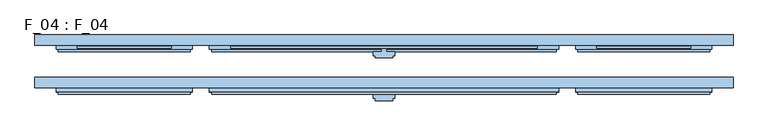
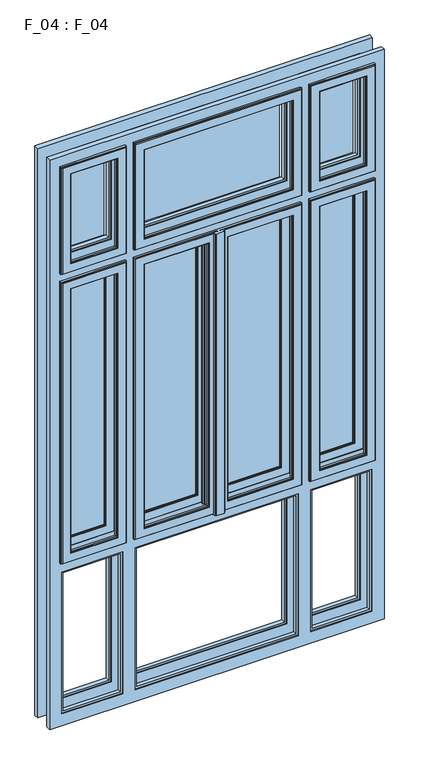
"""IFC4 building model written with IfcOpenShell, lengths in millimetres: window geometry, F_04 : F_04."""

from ifc_helpers import new_model, si_unit, frame, origin, place, context, project, spatial, polyline, outline, extrude, faceted_brep, source, transform, mapped, element, save


def f_04_f_04_e802fb48(model_context):
    return source(origin(), model_context, "Body", "SolidModel", [
        faceted_brep([(400.0, -40.0, 3830.0), (400.0, -45.0, 3830.0), (400.0, -45.0, 3295.0000003), (400.0, -40.0, 3295.0000003), (410.0, -45.0, 3285.0000003), (-410.0, -45.0, 3285.0000003), (-410.0, -45.0, 3840.0), (410.0, -45.0, 3840.0), (-400.0, -45.0, 3830.0), (-400.0, -45.0, 3295.0000003), (-400.0, -40.0, 3295.0000003), (-400.0, -40.0, 3830.0), (365.0, -40.0, 3795.0), (-365.0, -40.0, 3795.0), (-365.0, -40.0, 3330.0000003), (365.0, -40.0, 3330.0000003), (365.0, -45.0, 3795.0), (365.0, -45.0, 3330.0000003), (-365.0, -45.0, 3330.0000003), (-365.0, -45.0, 3795.0), (360.0, -45.0, 3790.0), (-360.0, -45.0, 3790.0), (-360.0, -45.0, 3335.0000003), (360.0, -45.0, 3335.0000003), (360.0, -55.0, 3790.0), (360.0, -55.0, 3335.0000003), (-360.0, -55.0, 3335.0000003), (365.0, -55.0, 3795.0), (-365.0, -55.0, 3795.0), (-365.0, -55.0, 3330.0000003), (365.0, -55.0, 3330.0000003), (-360.0, -55.0, 3790.0), (365.0, -60.0, 3795.0), (365.0, -60.0, 3330.0000003), (-365.0, -60.0, 3330.0000003), (405.0, -60.0, 3835.0), (-405.0, -60.0, 3835.0), (-405.0, -60.0, 3290.0000003), (405.0, -60.0, 3290.0000003), (-365.0, -60.0, 3795.0), (405.0, -55.0, 3835.0), (405.0, -55.0, 3290.0000003), (-405.0, -55.0, 3290.0000003), (410.0, -55.0, 3840.0), (-410.0, -55.0, 3840.0), (-410.0, -55.0, 3285.0000003), (410.0, -55.0, 3285.0000003), (-405.0, -55.0, 3835.0)], [[[0, 1, 2, 3]], [[4, 5, 6, 7], [1, 8, 9, 2]], [[3, 2, 9, 10]], [[3, 10, 11, 0], [12, 13, 14, 15]], [[16, 12, 15, 17]], [[17, 15, 14, 18]], [[17, 18, 19, 16], [20, 21, 22, 23]], [[24, 20, 23, 25]], [[25, 23, 22, 26]], [[27, 28, 29, 30], [25, 26, 31, 24]], [[32, 27, 30, 33]], [[33, 30, 29, 34]], [[35, 36, 37, 38], [33, 34, 39, 32]], [[40, 35, 38, 41]], [[41, 38, 37, 42]], [[43, 44, 45, 46], [41, 42, 47, 40]], [[7, 43, 46, 4]], [[4, 46, 45, 5]], [[10, 9, 8, 11]], [[18, 14, 13, 19]], [[26, 22, 21, 31]], [[34, 29, 28, 39]], [[42, 37, 36, 47]], [[5, 45, 44, 6]], [[11, 8, 1, 0]], [[19, 13, 12, 16]], [[31, 21, 20, 24]], [[39, 28, 27, 32]], [[47, 36, 35, 40]], [[6, 44, 43, 7]]]),
        faceted_brep([(460.0, -45.0, 3830.0), (460.0, -40.0, 3830.0), (460.0, -40.0, 3295.0000003), (460.0, -45.0, 3295.0000003), (759.9999997, -40.0, 3830.0), (759.9999997, -40.0, 3295.0000003), (495.0, -40.0, 3330.0000003), (724.9999997, -40.0, 3330.0000003), (724.9999997, -40.0, 3795.0), (495.0, -40.0, 3795.0), (759.9999997, -45.0, 3295.0000003), (450.0, -45.0, 3840.0), (769.9999997, -45.0, 3840.0), (769.9999997, -45.0, 3285.0000003), (450.0, -45.0, 3285.0000003), (759.9999997, -45.0, 3830.0), (495.0, -45.0, 3795.0), (495.0, -45.0, 3330.0000003), (724.9999997, -45.0, 3795.0), (724.9999997, -45.0, 3330.0000003), (500.0, -45.0, 3335.0000003), (719.9999997, -45.0, 3335.0000003), (719.9999997, -45.0, 3790.0), (500.0, -45.0, 3790.0), (500.0, -55.0, 3790.0), (500.0, -55.0, 3335.0000003), (495.0, -55.0, 3330.0000003), (724.9999997, -55.0, 3330.0000003), (724.9999997, -55.0, 3795.0), (495.0, -55.0, 3795.0), (719.9999997, -55.0, 3790.0), (719.9999997, -55.0, 3335.0000003), (495.0, -60.0, 3795.0), (495.0, -60.0, 3330.0000003), (455.0, -60.0, 3290.0000003), (764.9999997, -60.0, 3290.0000003), (764.9999997, -60.0, 3835.0), (455.0, -60.0, 3835.0), (724.9999997, -60.0, 3795.0), (724.9999997, -60.0, 3330.0000003), (455.0, -55.0, 3835.0), (455.0, -55.0, 3290.0000003), (450.0, -55.0, 3285.0000003), (769.9999997, -55.0, 3285.0000003), (769.9999997, -55.0, 3840.0), (450.0, -55.0, 3840.0), (764.9999997, -55.0, 3835.0), (764.9999997, -55.0, 3290.0000003)], [[[0, 1, 2, 3]], [[1, 4, 5, 2], [6, 7, 8, 9]], [[3, 2, 5, 10]], [[11, 12, 13, 14], [3, 10, 15, 0]], [[9, 16, 17, 6]], [[16, 18, 19, 17], [20, 21, 22, 23]], [[6, 17, 19, 7]], [[23, 24, 25, 20]], [[26, 27, 28, 29], [24, 30, 31, 25]], [[20, 25, 31, 21]], [[29, 32, 33, 26]], [[34, 35, 36, 37], [32, 38, 39, 33]], [[26, 33, 39, 27]], [[37, 40, 41, 34]], [[42, 43, 44, 45], [40, 46, 47, 41]], [[34, 41, 47, 35]], [[45, 11, 14, 42]], [[42, 14, 13, 43]], [[10, 5, 4, 15]], [[7, 19, 18, 8]], [[21, 31, 30, 22]], [[27, 39, 38, 28]], [[35, 47, 46, 36]], [[43, 13, 12, 44]], [[15, 4, 1, 0]], [[8, 18, 16, 9]], [[22, 30, 24, 23]], [[28, 38, 32, 29]], [[36, 46, 40, 37]], [[44, 12, 11, 45]]]),
        faceted_brep([(-460.0, -40.0, 3830.0), (-460.0, -45.0, 3830.0), (-460.0, -45.0, 3295.0000003), (-460.0, -40.0, 3295.0000003), (-450.0, -45.0, 3285.0000003), (-769.9999997, -45.0, 3285.0000003), (-769.9999997, -45.0, 3840.0), (-450.0, -45.0, 3840.0), (-759.9999997, -45.0, 3830.0), (-759.9999997, -45.0, 3295.0000003), (-759.9999997, -40.0, 3295.0000003), (-759.9999997, -40.0, 3830.0), (-495.0, -40.0, 3795.0), (-724.9999997, -40.0, 3795.0), (-724.9999997, -40.0, 3330.0000003), (-495.0, -40.0, 3330.0000003), (-495.0, -45.0, 3795.0), (-495.0, -45.0, 3330.0000003), (-724.9999997, -45.0, 3330.0000003), (-724.9999997, -45.0, 3795.0), (-500.0, -45.0, 3790.0), (-719.9999997, -45.0, 3790.0), (-719.9999997, -45.0, 3335.0000003), (-500.0, -45.0, 3335.0000003), (-500.0, -55.0, 3790.0), (-500.0, -55.0, 3335.0000003), (-719.9999997, -55.0, 3335.0000003), (-495.0, -55.0, 3795.0), (-724.9999997, -55.0, 3795.0), (-724.9999997, -55.0, 3330.0000003), (-495.0, -55.0, 3330.0000003), (-719.9999997, -55.0, 3790.0), (-495.0, -60.0, 3795.0), (-495.0, -60.0, 3330.0000003), (-724.9999997, -60.0, 3330.0000003), (-455.0, -60.0, 3835.0), (-764.9999997, -60.0, 3835.0), (-764.9999997, -60.0, 3290.0000003), (-455.0, -60.0, 3290.0000003), (-724.9999997, -60.0, 3795.0), (-455.0, -55.0, 3835.0), (-455.0, -55.0, 3290.0000003), (-764.9999997, -55.0, 3290.0000003), (-450.0, -55.0, 3840.0), (-769.9999997, -55.0, 3840.0), (-769.9999997, -55.0, 3285.0000003), (-450.0, -55.0, 3285.0000003), (-764.9999997, -55.0, 3835.0)], [[[0, 1, 2, 3]], [[4, 5, 6, 7], [1, 8, 9, 2]], [[3, 2, 9, 10]], [[3, 10, 11, 0], [12, 13, 14, 15]], [[16, 12, 15, 17]], [[17, 15, 14, 18]], [[17, 18, 19, 16], [20, 21, 22, 23]], [[24, 20, 23, 25]], [[25, 23, 22, 26]], [[27, 28, 29, 30], [25, 26, 31, 24]], [[32, 27, 30, 33]], [[33, 30, 29, 34]], [[35, 36, 37, 38], [33, 34, 39, 32]], [[40, 35, 38, 41]], [[41, 38, 37, 42]], [[43, 44, 45, 46], [41, 42, 47, 40]], [[7, 43, 46, 4]], [[4, 46, 45, 5]], [[10, 9, 8, 11]], [[18, 14, 13, 19]], [[26, 22, 21, 31]], [[34, 29, 28, 39]], [[42, 37, 36, 47]], [[5, 45, 44, 6]], [[11, 8, 1, 0]], [[19, 13, 12, 16]], [[31, 21, 20, 24]], [[39, 28, 27, 32]], [[47, 36, 35, 40]], [[6, 44, 43, 7]]]),
        faceted_brep([(44.9999997, 55.0, 1830.0), (44.9999997, 60.0, 1830.0), (44.9999997, 60.0, 3200.0000007), (44.9999997, 55.0, 3200.0000007), (9.9999997, 60.0, 3235.0000007), (400.0000003, 60.0, 3235.0000007), (400.0000003, 60.0, 1795.0), (9.9999997, 60.0, 1795.0), (10.0, 60.0, 1785.0), (0.5, 60.0, 1785.0), (0.5, 60.0, 3245.0000007), (10.0, 60.0, 3245.0000007), (365.0000003, 60.0, 1830.0), (365.0000003, 60.0, 3200.0000007), (365.0000003, 55.0, 3200.0000007), (365.0000003, 55.0, 1830.0), (49.9999997, 55.0, 3195.0000007), (49.9999997, 55.0, 1835.0), (360.0000003, 55.0, 1835.0), (360.0000003, 55.0, 3195.0000007), (49.9999997, 45.0, 1835.0), (49.9999997, 45.0, 3195.0000007), (360.0000003, 45.0, 3195.0000007), (44.9999997, 45.0, 3200.0000007), (44.9999997, 45.0, 1830.0), (365.0000003, 45.0, 1830.0), (365.0000003, 45.0, 3200.0000007), (360.0000003, 45.0, 1835.0), (44.9999997, 40.0, 1830.0), (44.9999997, 40.0, 3200.0000007), (365.0000003, 40.0, 3200.0000007), (405.0000003, 40.0, 1790.0), (405.0000003, 40.0, 3240.0000007), (25.0, 40.0, 3240.0000007), (25.0, 40.0, 1790.0), (365.0000003, 40.0, 1830.0), (9.9999997, 55.0, 3235.0000007), (400.0000003, 55.0, 3235.0000007), (10.0, 55.0, 3245.0000007), (410.0000003, 55.0, 3245.0000007), (410.0000003, 55.0, 1785.0), (10.0, 55.0, 1785.0), (10.0, 55.0, 1795.0), (400.0000003, 55.0, 1795.0), (-9.9999997, 55.0, 3235.0000007), (-400.0000003, 55.0, 3235.0000007), (-400.0000003, 55.0, 1795.0), (-9.9999997, 55.0, 1795.0), (-10.0, 55.0, 1785.0), (-410.0000003, 55.0, 1785.0), (-410.0000003, 55.0, 3245.0000007), (-10.0, 55.0, 3245.0000007), (-0.5, 55.0, 3245.0000007), (0.5, 55.0, 3245.0000007), (0.5, 55.0, 1785.0), (-0.5, 55.0, 1785.0), (405.0000003, 45.0, 3240.0000007), (4.9999997, 45.0, 3240.0000007), (5.0, 40.0, 3240.0000007), (405.0000003, 45.0, 1790.0), (4.9999997, 45.0, 1790.0), (5.0, 45.0, 1785.0), (410.0000003, 45.0, 1785.0), (410.0000003, 45.0, 3245.0000007), (5.0, 45.0, 3245.0000007), (5.0, 40.0, 3245.0000007), (5.0, 40.0, 1785.0), (5.0, 40.0, 1790.0), (25.0, 40.0, 3245.0000007), (25.0, 40.0, 1785.0), (-0.5, 60.0, 3245.0000007), (-10.0, 60.0, 3245.0000007), (-410.0000003, 45.0, 3245.0000007), (-5.0, 45.0, 3245.0000007), (-5.0, 40.0, 3245.0000007), (-25.0, 40.0, 3245.0000007), (-25.0, 30.0, 3245.0000007), (-20.0, 30.0, 3245.0000007), (-20.0, 25.0, 3245.0000007), (20.0, 25.0, 3245.0000007), (20.0, 30.0, 3245.0000007), (25.0, 30.0, 3245.0000007), (-0.5, 60.0, 1785.0), (-10.0, 60.0, 1785.0), (-10.0, 60.0, 1795.0), (-400.0000003, 60.0, 1795.0), (-400.0000003, 60.0, 3235.0000007), (-9.9999997, 60.0, 3235.0000007), (-44.9999997, 60.0, 1830.0), (-44.9999997, 60.0, 3200.0000007), (-365.0000003, 60.0, 3200.0000007), (-365.0000003, 60.0, 1830.0), (-410.0000003, 45.0, 1785.0), (-405.0000003, 45.0, 3240.0000007), (-4.9999997, 45.0, 3240.0000007), (-5.0, 45.0, 1785.0), (-5.0, 45.0, 1790.0), (-405.0000003, 45.0, 1790.0), (-5.0, 40.0, 3240.0000007), (-5.0, 40.0, 1785.0), (-5.0, 40.0, 1790.0), (-25.0, 40.0, 3240.0000007), (-25.0, 40.0, 1785.0), (-25.0, 40.0, 1790.0), (-25.0, 30.0, 1785.0), (-20.0, 30.0, 1785.0), (-20.0, 25.0, 1785.0), (20.0, 25.0, 1785.0), (20.0, 30.0, 1785.0), (25.0, 30.0, 1785.0), (-44.9999997, 55.0, 1830.0), (-44.9999997, 55.0, 3200.0000007), (-365.0000003, 55.0, 3200.0000007), (-365.0000003, 55.0, 1830.0), (-405.0000003, 40.0, 3240.0000007), (-405.0000003, 40.0, 1790.0), (-44.9999997, 40.0, 3200.0000007), (-44.9999997, 40.0, 1830.0), (-365.0000003, 40.0, 1830.0), (-365.0000003, 40.0, 3200.0000007), (-49.9999997, 55.0, 1835.0), (-49.9999997, 55.0, 3195.0000007), (-360.0000003, 55.0, 3195.0000007), (-360.0000003, 55.0, 1835.0), (-49.9999997, 45.0, 1835.0), (-49.9999997, 45.0, 3195.0000007), (-44.9999997, 45.0, 1830.0), (-44.9999997, 45.0, 3200.0000007), (-365.0000003, 45.0, 3200.0000007), (-365.0000003, 45.0, 1830.0), (-360.0000003, 45.0, 1835.0), (-360.0000003, 45.0, 3195.0000007)], [[[0, 1, 2, 3]], [[4, 5, 6, 7, 8, 9, 10, 11], [2, 1, 12, 13]], [[3, 2, 13, 14]], [[0, 3, 14, 15], [16, 17, 18, 19]], [[20, 17, 16, 21]], [[21, 16, 19, 22]], [[23, 24, 25, 26], [20, 21, 22, 27]], [[28, 24, 23, 29]], [[29, 23, 26, 30]], [[31, 32, 33, 34], [28, 29, 30, 35]], [[36, 37, 5, 4]], [[37, 36, 38, 39, 40, 41, 42, 43]], [[44, 45, 46, 47, 48, 49, 50, 51]], [[52, 53, 54, 55]], [[5, 37, 43, 6]], [[11, 38, 36, 4]], [[41, 8, 7, 42]], [[14, 13, 12, 15]], [[22, 19, 18, 27]], [[30, 26, 25, 35]], [[32, 56, 57, 58, 33]], [[56, 32, 31, 59]], [[57, 56, 59, 60, 61, 62, 63, 64]], [[64, 65, 58, 57]], [[66, 61, 60, 67]], [[65, 68, 33, 58]], [[69, 66, 67, 34]], [[63, 39, 38, 11, 10, 53, 52, 70, 71, 51, 50, 72, 73, 74, 75, 76, 77, 78, 79, 80, 81, 68, 65, 64]], [[39, 63, 62, 40]], [[53, 10, 9, 54]], [[70, 52, 55, 82]], [[71, 70, 82, 83, 84, 85, 86, 87], [88, 89, 90, 91]], [[51, 71, 87, 44]], [[83, 48, 47, 84]], [[72, 50, 49, 92]], [[93, 94, 73, 72, 92, 95, 96, 97]], [[74, 73, 94, 98]], [[95, 99, 100, 96]], [[75, 74, 98, 101]], [[99, 102, 103, 100]], [[76, 75, 101, 103, 102, 104]], [[77, 76, 104, 105]], [[78, 77, 105, 106]], [[79, 78, 106, 107]], [[80, 79, 107, 108]], [[81, 80, 108, 109]], [[68, 81, 109, 69, 34, 33]], [[87, 86, 45, 44]], [[45, 86, 85, 46]], [[88, 110, 111, 89]], [[89, 111, 112, 90]], [[90, 112, 113, 91]], [[94, 93, 114, 101, 98]], [[114, 115, 103, 101], [116, 117, 118, 119]], [[111, 110, 113, 112], [120, 121, 122, 123]], [[120, 124, 125, 121]], [[126, 127, 128, 129], [125, 124, 130, 131]], [[121, 125, 131, 122]], [[126, 117, 116, 127]], [[127, 116, 119, 128]], [[122, 131, 130, 123]], [[128, 119, 118, 129]], [[114, 93, 97, 115]], [[6, 43, 42, 7]], [[1, 0, 15, 12]], [[17, 20, 27, 18]], [[24, 28, 35, 25]], [[59, 31, 34, 67, 60]], [[40, 62, 61, 66, 69, 109, 108, 107, 106, 105, 104, 102, 99, 95, 92, 49, 48, 83, 82, 55, 54, 9, 8, 41]], [[46, 85, 84, 47]], [[110, 88, 91, 113]], [[124, 120, 123, 130]], [[117, 126, 129, 118]], [[115, 97, 96, 100, 103]]]),
        faceted_brep([(459.9999997, 60.0, 1795.0), (459.9999997, 55.0, 1795.0), (459.9999997, 55.0, 3235.0000007), (459.9999997, 60.0, 3235.0000007), (449.9999997, 55.0, 3245.0000007), (770.0, 55.0, 3245.0000007), (770.0, 55.0, 1785.0), (449.9999997, 55.0, 1785.0), (760.0, 55.0, 1795.0), (760.0, 55.0, 3235.0000007), (760.0, 60.0, 3235.0000007), (760.0, 60.0, 1795.0), (494.9999997, 60.0, 1830.0), (725.0, 60.0, 1830.0), (725.0, 60.0, 3200.0000007), (494.9999997, 60.0, 3200.0000007), (494.9999997, 55.0, 1830.0), (494.9999997, 55.0, 3200.0000007), (725.0, 55.0, 3200.0000007), (725.0, 55.0, 1830.0), (499.9999997, 55.0, 1835.0), (720.0, 55.0, 1835.0), (720.0, 55.0, 3195.0000007), (499.9999997, 55.0, 3195.0000007), (499.9999997, 45.0, 1835.0), (499.9999997, 45.0, 3195.0000007), (720.0, 45.0, 3195.0000007), (494.9999997, 45.0, 1830.0), (725.0, 45.0, 1830.0), (725.0, 45.0, 3200.0000007), (494.9999997, 45.0, 3200.0000007), (720.0, 45.0, 1835.0), (494.9999997, 40.0, 1830.0), (494.9999997, 40.0, 3200.0000007), (725.0, 40.0, 3200.0000007), (454.9999997, 40.0, 1790.0), (765.0, 40.0, 1790.0), (765.0, 40.0, 3240.0000007), (454.9999997, 40.0, 3240.0000007), (725.0, 40.0, 1830.0), (454.9999997, 45.0, 1790.0), (454.9999997, 45.0, 3240.0000007), (765.0, 45.0, 3240.0000007), (449.9999997, 45.0, 1785.0), (770.0, 45.0, 1785.0), (770.0, 45.0, 3245.0000007), (449.9999997, 45.0, 3245.0000007), (765.0, 45.0, 1790.0)], [[[0, 1, 2, 3]], [[4, 5, 6, 7], [1, 8, 9, 2]], [[3, 2, 9, 10]], [[3, 10, 11, 0], [12, 13, 14, 15]], [[16, 12, 15, 17]], [[17, 15, 14, 18]], [[17, 18, 19, 16], [20, 21, 22, 23]], [[24, 20, 23, 25]], [[25, 23, 22, 26]], [[27, 28, 29, 30], [25, 26, 31, 24]], [[32, 27, 30, 33]], [[33, 30, 29, 34]], [[35, 36, 37, 38], [33, 34, 39, 32]], [[40, 35, 38, 41]], [[41, 38, 37, 42]], [[43, 44, 45, 46], [41, 42, 47, 40]], [[7, 43, 46, 4]], [[4, 46, 45, 5]], [[10, 9, 8, 11]], [[18, 14, 13, 19]], [[26, 22, 21, 31]], [[34, 29, 28, 39]], [[42, 37, 36, 47]], [[5, 45, 44, 6]], [[11, 8, 1, 0]], [[19, 13, 12, 16]], [[31, 21, 20, 24]], [[39, 28, 27, 32]], [[47, 36, 35, 40]], [[6, 44, 43, 7]]]),
        faceted_brep([(-459.9999997, 55.0, 1795.0), (-459.9999997, 60.0, 1795.0), (-459.9999997, 60.0, 3235.0000007), (-459.9999997, 55.0, 3235.0000007), (-760.0, 60.0, 1795.0), (-760.0, 60.0, 3235.0000007), (-494.9999997, 60.0, 3200.0000007), (-725.0, 60.0, 3200.0000007), (-725.0, 60.0, 1830.0), (-494.9999997, 60.0, 1830.0), (-760.0, 55.0, 3235.0000007), (-449.9999997, 55.0, 1785.0), (-770.0, 55.0, 1785.0), (-770.0, 55.0, 3245.0000007), (-449.9999997, 55.0, 3245.0000007), (-760.0, 55.0, 1795.0), (-494.9999997, 55.0, 1830.0), (-494.9999997, 55.0, 3200.0000007), (-725.0, 55.0, 1830.0), (-725.0, 55.0, 3200.0000007), (-499.9999997, 55.0, 3195.0000007), (-720.0, 55.0, 3195.0000007), (-720.0, 55.0, 1835.0), (-499.9999997, 55.0, 1835.0), (-499.9999997, 45.0, 1835.0), (-499.9999997, 45.0, 3195.0000007), (-494.9999997, 45.0, 3200.0000007), (-725.0, 45.0, 3200.0000007), (-725.0, 45.0, 1830.0), (-494.9999997, 45.0, 1830.0), (-720.0, 45.0, 1835.0), (-720.0, 45.0, 3195.0000007), (-494.9999997, 40.0, 1830.0), (-494.9999997, 40.0, 3200.0000007), (-454.9999997, 40.0, 3240.0000007), (-765.0, 40.0, 3240.0000007), (-765.0, 40.0, 1790.0), (-454.9999997, 40.0, 1790.0), (-725.0, 40.0, 1830.0), (-725.0, 40.0, 3200.0000007), (-454.9999997, 45.0, 1790.0), (-454.9999997, 45.0, 3240.0000007), (-449.9999997, 45.0, 3245.0000007), (-770.0, 45.0, 3245.0000007), (-770.0, 45.0, 1785.0), (-449.9999997, 45.0, 1785.0), (-765.0, 45.0, 1790.0), (-765.0, 45.0, 3240.0000007)], [[[0, 1, 2, 3]], [[1, 4, 5, 2], [6, 7, 8, 9]], [[3, 2, 5, 10]], [[11, 12, 13, 14], [3, 10, 15, 0]], [[9, 16, 17, 6]], [[16, 18, 19, 17], [20, 21, 22, 23]], [[6, 17, 19, 7]], [[23, 24, 25, 20]], [[26, 27, 28, 29], [24, 30, 31, 25]], [[20, 25, 31, 21]], [[29, 32, 33, 26]], [[34, 35, 36, 37], [32, 38, 39, 33]], [[26, 33, 39, 27]], [[37, 40, 41, 34]], [[42, 43, 44, 45], [40, 46, 47, 41]], [[34, 41, 47, 35]], [[45, 11, 14, 42]], [[42, 14, 13, 43]], [[10, 5, 4, 15]], [[7, 19, 18, 8]], [[21, 31, 30, 22]], [[27, 39, 38, 28]], [[35, 47, 46, 36]], [[43, 13, 12, 44]], [[15, 4, 1, 0]], [[8, 18, 16, 9]], [[22, 30, 24, 23]], [[28, 38, 32, 29]], [[36, 46, 40, 37]], [[44, 12, 11, 45]]]),
        faceted_brep([(44.9999997, -45.0, 1830.0), (44.9999997, -40.0, 1830.0), (44.9999997, -40.0, 3200.0000007), (44.9999997, -45.0, 3200.0000007), (9.9999997, -40.0, 3235.0000007), (400.0000003, -40.0, 3235.0000007), (400.0000003, -40.0, 1795.0), (9.9999997, -40.0, 1795.0), (10.0, -40.0, 1785.0), (0.5, -40.0, 1785.0), (0.5, -40.0, 3245.0000007), (10.0, -40.0, 3245.0000007), (365.0000003, -40.0, 1830.0), (365.0000003, -40.0, 3200.0000007), (365.0000003, -45.0, 3200.0000007), (365.0000003, -45.0, 1830.0), (49.9999997, -45.0, 3195.0000007), (49.9999997, -45.0, 1835.0), (360.0000003, -45.0, 1835.0), (360.0000003, -45.0, 3195.0000007), (49.9999997, -55.0, 1835.0), (49.9999997, -55.0, 3195.0000007), (360.0000003, -55.0, 3195.0000007), (44.9999997, -55.0, 3200.0000007), (44.9999997, -55.0, 1830.0), (365.0000003, -55.0, 1830.0), (365.0000003, -55.0, 3200.0000007), (360.0000003, -55.0, 1835.0), (44.9999997, -60.0, 1830.0), (44.9999997, -60.0, 3200.0000007), (365.0000003, -60.0, 3200.0000007), (405.0000003, -60.0, 1790.0), (405.0000003, -60.0, 3240.0000007), (25.0, -60.0, 3240.0000007), (25.0, -60.0, 1790.0), (365.0000003, -60.0, 1830.0), (9.9999997, -45.0, 3235.0000007), (400.0000003, -45.0, 3235.0000007), (10.0, -45.0, 3245.0000007), (410.0000003, -45.0, 3245.0000007), (410.0000003, -45.0, 1785.0), (10.0, -45.0, 1785.0), (10.0, -45.0, 1795.0), (400.0000003, -45.0, 1795.0), (-9.9999997, -45.0, 3235.0000007), (-400.0000003, -45.0, 3235.0000007), (-400.0000003, -45.0, 1795.0), (-9.9999997, -45.0, 1795.0), (-10.0, -45.0, 1785.0), (-410.0000003, -45.0, 1785.0), (-410.0000003, -45.0, 3245.0000007), (-10.0, -45.0, 3245.0000007), (-0.5, -45.0, 3245.0000007), (0.5, -45.0, 3245.0000007), (0.5, -45.0, 1785.0), (-0.5, -45.0, 1785.0), (405.0000003, -55.0, 3240.0000007), (4.9999997, -55.0, 3240.0000007), (5.0, -60.0, 3240.0000007), (405.0000003, -55.0, 1790.0), (4.9999997, -55.0, 1790.0), (5.0, -55.0, 1785.0), (410.0000003, -55.0, 1785.0), (410.0000003, -55.0, 3245.0000007), (5.0, -55.0, 3245.0000007), (5.0, -60.0, 3245.0000007), (5.0, -60.0, 1785.0), (5.0, -60.0, 1790.0), (25.0, -60.0, 3245.0000007), (25.0, -60.0, 1785.0), (-0.5, -40.0, 3245.0000007), (-10.0, -40.0, 3245.0000007), (-410.0000003, -55.0, 3245.0000007), (-5.0, -55.0, 3245.0000007), (-5.0, -60.0, 3245.0000007), (-25.0, -60.0, 3245.0000007), (-25.0, -70.0, 3245.0000007), (-20.0, -70.0, 3245.0000007), (-20.0, -75.0, 3245.0000007), (20.0, -75.0, 3245.0000007), (20.0, -70.0, 3245.0000007), (25.0, -70.0, 3245.0000007), (-0.5, -40.0, 1785.0), (-10.0, -40.0, 1785.0), (-10.0, -40.0, 1795.0), (-400.0000003, -40.0, 1795.0), (-400.0000003, -40.0, 3235.0000007), (-9.9999997, -40.0, 3235.0000007), (-44.9999997, -40.0, 1830.0), (-44.9999997, -40.0, 3200.0000007), (-365.0000003, -40.0, 3200.0000007), (-365.0000003, -40.0, 1830.0), (-410.0000003, -55.0, 1785.0), (-405.0000003, -55.0, 3240.0000007), (-4.9999997, -55.0, 3240.0000007), (-5.0, -55.0, 1785.0), (-5.0, -55.0, 1790.0), (-405.0000003, -55.0, 1790.0), (-5.0, -60.0, 3240.0000007), (-5.0, -60.0, 1785.0), (-5.0, -60.0, 1790.0), (-25.0, -60.0, 3240.0000007), (-25.0, -60.0, 1785.0), (-25.0, -60.0, 1790.0), (-25.0, -70.0, 1785.0), (-20.0, -70.0, 1785.0), (-20.0, -75.0, 1785.0), (20.0, -75.0, 1785.0), (20.0, -70.0, 1785.0), (25.0, -70.0, 1785.0), (-44.9999997, -45.0, 1830.0), (-44.9999997, -45.0, 3200.0000007), (-365.0000003, -45.0, 3200.0000007), (-365.0000003, -45.0, 1830.0), (-405.0000003, -60.0, 3240.0000007), (-405.0000003, -60.0, 1790.0), (-44.9999997, -60.0, 3200.0000007), (-44.9999997, -60.0, 1830.0), (-365.0000003, -60.0, 1830.0), (-365.0000003, -60.0, 3200.0000007), (-49.9999997, -45.0, 1835.0), (-49.9999997, -45.0, 3195.0000007), (-360.0000003, -45.0, 3195.0000007), (-360.0000003, -45.0, 1835.0), (-49.9999997, -55.0, 1835.0), (-49.9999997, -55.0, 3195.0000007), (-44.9999997, -55.0, 1830.0), (-44.9999997, -55.0, 3200.0000007), (-365.0000003, -55.0, 3200.0000007), (-365.0000003, -55.0, 1830.0), (-360.0000003, -55.0, 1835.0), (-360.0000003, -55.0, 3195.0000007)], [[[0, 1, 2, 3]], [[4, 5, 6, 7, 8, 9, 10, 11], [2, 1, 12, 13]], [[3, 2, 13, 14]], [[0, 3, 14, 15], [16, 17, 18, 19]], [[20, 17, 16, 21]], [[21, 16, 19, 22]], [[23, 24, 25, 26], [20, 21, 22, 27]], [[28, 24, 23, 29]], [[29, 23, 26, 30]], [[31, 32, 33, 34], [28, 29, 30, 35]], [[36, 37, 5, 4]], [[37, 36, 38, 39, 40, 41, 42, 43]], [[44, 45, 46, 47, 48, 49, 50, 51]], [[52, 53, 54, 55]], [[5, 37, 43, 6]], [[11, 38, 36, 4]], [[41, 8, 7, 42]], [[14, 13, 12, 15]], [[22, 19, 18, 27]], [[30, 26, 25, 35]], [[32, 56, 57, 58, 33]], [[56, 32, 31, 59]], [[57, 56, 59, 60, 61, 62, 63, 64]], [[64, 65, 58, 57]], [[66, 61, 60, 67]], [[65, 68, 33, 58]], [[69, 66, 67, 34]], [[63, 39, 38, 11, 10, 53, 52, 70, 71, 51, 50, 72, 73, 74, 75, 76, 77, 78, 79, 80, 81, 68, 65, 64]], [[39, 63, 62, 40]], [[53, 10, 9, 54]], [[70, 52, 55, 82]], [[71, 70, 82, 83, 84, 85, 86, 87], [88, 89, 90, 91]], [[51, 71, 87, 44]], [[83, 48, 47, 84]], [[72, 50, 49, 92]], [[93, 94, 73, 72, 92, 95, 96, 97]], [[74, 73, 94, 98]], [[95, 99, 100, 96]], [[75, 74, 98, 101]], [[99, 102, 103, 100]], [[76, 75, 101, 103, 102, 104]], [[77, 76, 104, 105]], [[78, 77, 105, 106]], [[79, 78, 106, 107]], [[80, 79, 107, 108]], [[81, 80, 108, 109]], [[68, 81, 109, 69, 34, 33]], [[87, 86, 45, 44]], [[45, 86, 85, 46]], [[88, 110, 111, 89]], [[89, 111, 112, 90]], [[90, 112, 113, 91]], [[94, 93, 114, 101, 98]], [[114, 115, 103, 101], [116, 117, 118, 119]], [[111, 110, 113, 112], [120, 121, 122, 123]], [[120, 124, 125, 121]], [[126, 127, 128, 129], [125, 124, 130, 131]], [[121, 125, 131, 122]], [[126, 117, 116, 127]], [[127, 116, 119, 128]], [[122, 131, 130, 123]], [[128, 119, 118, 129]], [[114, 93, 97, 115]], [[6, 43, 42, 7]], [[1, 0, 15, 12]], [[17, 20, 27, 18]], [[24, 28, 35, 25]], [[59, 31, 34, 67, 60]], [[40, 62, 61, 66, 69, 109, 108, 107, 106, 105, 104, 102, 99, 95, 92, 49, 48, 83, 82, 55, 54, 9, 8, 41]], [[46, 85, 84, 47]], [[110, 88, 91, 113]], [[124, 120, 123, 130]], [[117, 126, 129, 118]], [[115, 97, 96, 100, 103]]]),
        faceted_brep([(459.9999997, -40.0, 1795.0), (459.9999997, -45.0, 1795.0), (459.9999997, -45.0, 3235.0000007), (459.9999997, -40.0, 3235.0000007), (449.9999997, -45.0, 3245.0000007), (770.0, -45.0, 3245.0000007), (770.0, -45.0, 1785.0), (449.9999997, -45.0, 1785.0), (760.0, -45.0, 1795.0), (760.0, -45.0, 3235.0000007), (760.0, -40.0, 3235.0000007), (760.0, -40.0, 1795.0), (494.9999997, -40.0, 1830.0), (725.0, -40.0, 1830.0), (725.0, -40.0, 3200.0000007), (494.9999997, -40.0, 3200.0000007), (494.9999997, -45.0, 1830.0), (494.9999997, -45.0, 3200.0000007), (725.0, -45.0, 3200.0000007), (725.0, -45.0, 1830.0), (499.9999997, -45.0, 1835.0), (720.0, -45.0, 1835.0), (720.0, -45.0, 3195.0000007), (499.9999997, -45.0, 3195.0000007), (499.9999997, -55.0, 1835.0), (499.9999997, -55.0, 3195.0000007), (720.0, -55.0, 3195.0000007), (494.9999997, -55.0, 1830.0), (725.0, -55.0, 1830.0), (725.0, -55.0, 3200.0000007), (494.9999997, -55.0, 3200.0000007), (720.0, -55.0, 1835.0), (494.9999997, -60.0, 1830.0), (494.9999997, -60.0, 3200.0000007), (725.0, -60.0, 3200.0000007), (454.9999997, -60.0, 1790.0), (765.0, -60.0, 1790.0), (765.0, -60.0, 3240.0000007), (454.9999997, -60.0, 3240.0000007), (725.0, -60.0, 1830.0), (454.9999997, -55.0, 1790.0), (454.9999997, -55.0, 3240.0000007), (765.0, -55.0, 3240.0000007), (449.9999997, -55.0, 1785.0), (770.0, -55.0, 1785.0), (770.0, -55.0, 3245.0000007), (449.9999997, -55.0, 3245.0000007), (765.0, -55.0, 1790.0)], [[[0, 1, 2, 3]], [[4, 5, 6, 7], [1, 8, 9, 2]], [[3, 2, 9, 10]], [[3, 10, 11, 0], [12, 13, 14, 15]], [[16, 12, 15, 17]], [[17, 15, 14, 18]], [[17, 18, 19, 16], [20, 21, 22, 23]], [[24, 20, 23, 25]], [[25, 23, 22, 26]], [[27, 28, 29, 30], [25, 26, 31, 24]], [[32, 27, 30, 33]], [[33, 30, 29, 34]], [[35, 36, 37, 38], [33, 34, 39, 32]], [[40, 35, 38, 41]], [[41, 38, 37, 42]], [[43, 44, 45, 46], [41, 42, 47, 40]], [[7, 43, 46, 4]], [[4, 46, 45, 5]], [[10, 9, 8, 11]], [[18, 14, 13, 19]], [[26, 22, 21, 31]], [[34, 29, 28, 39]], [[42, 37, 36, 47]], [[5, 45, 44, 6]], [[11, 8, 1, 0]], [[19, 13, 12, 16]], [[31, 21, 20, 24]], [[39, 28, 27, 32]], [[47, 36, 35, 40]], [[6, 44, 43, 7]]]),
        faceted_brep([(-459.9999997, -45.0, 1795.0), (-459.9999997, -40.0, 1795.0), (-459.9999997, -40.0, 3235.0000007), (-459.9999997, -45.0, 3235.0000007), (-760.0, -40.0, 1795.0), (-760.0, -40.0, 3235.0000007), (-494.9999997, -40.0, 3200.0000007), (-725.0, -40.0, 3200.0000007), (-725.0, -40.0, 1830.0), (-494.9999997, -40.0, 1830.0), (-760.0, -45.0, 3235.0000007), (-449.9999997, -45.0, 1785.0), (-770.0, -45.0, 1785.0), (-770.0, -45.0, 3245.0000007), (-449.9999997, -45.0, 3245.0000007), (-760.0, -45.0, 1795.0), (-494.9999997, -45.0, 1830.0), (-494.9999997, -45.0, 3200.0000007), (-725.0, -45.0, 1830.0), (-725.0, -45.0, 3200.0000007), (-499.9999997, -45.0, 3195.0000007), (-720.0, -45.0, 3195.0000007), (-720.0, -45.0, 1835.0), (-499.9999997, -45.0, 1835.0), (-499.9999997, -55.0, 1835.0), (-499.9999997, -55.0, 3195.0000007), (-494.9999997, -55.0, 3200.0000007), (-725.0, -55.0, 3200.0000007), (-725.0, -55.0, 1830.0), (-494.9999997, -55.0, 1830.0), (-720.0, -55.0, 1835.0), (-720.0, -55.0, 3195.0000007), (-494.9999997, -60.0, 1830.0), (-494.9999997, -60.0, 3200.0000007), (-454.9999997, -60.0, 3240.0000007), (-765.0, -60.0, 3240.0000007), (-765.0, -60.0, 1790.0), (-454.9999997, -60.0, 1790.0), (-725.0, -60.0, 1830.0), (-725.0, -60.0, 3200.0000007), (-454.9999997, -55.0, 1790.0), (-454.9999997, -55.0, 3240.0000007), (-449.9999997, -55.0, 3245.0000007), (-770.0, -55.0, 3245.0000007), (-770.0, -55.0, 1785.0), (-449.9999997, -55.0, 1785.0), (-765.0, -55.0, 1790.0), (-765.0, -55.0, 3240.0000007)], [[[0, 1, 2, 3]], [[1, 4, 5, 2], [6, 7, 8, 9]], [[3, 2, 5, 10]], [[11, 12, 13, 14], [3, 10, 15, 0]], [[9, 16, 17, 6]], [[16, 18, 19, 17], [20, 21, 22, 23]], [[6, 17, 19, 7]], [[23, 24, 25, 20]], [[26, 27, 28, 29], [24, 30, 31, 25]], [[20, 25, 31, 21]], [[29, 32, 33, 26]], [[34, 35, 36, 37], [32, 38, 39, 33]], [[26, 33, 39, 27]], [[37, 40, 41, 34]], [[42, 43, 44, 45], [40, 46, 47, 41]], [[34, 41, 47, 35]], [[45, 11, 14, 42]], [[42, 14, 13, 43]], [[10, 5, 4, 15]], [[7, 19, 18, 8]], [[21, 31, 30, 22]], [[27, 39, 38, 28]], [[35, 47, 46, 36]], [[43, 13, 12, 44]], [[15, 4, 1, 0]], [[8, 18, 16, 9]], [[22, 30, 24, 23]], [[28, 38, 32, 29]], [[36, 46, 40, 37]], [[44, 12, 11, 45]]]),
        faceted_brep([(820.0, 79.0, 3890.0), (820.0, 55.0, 3890.0), (820.0, 55.0, 940.0), (820.0, 79.0, 940.0), (-820.0, 55.0, 3890.0), (-820.0, 55.0, 940.0), (760.0, 55.0, 3295.0000003), (460.0, 55.0, 3295.0000003), (460.0, 55.0, 3830.0), (760.0, 55.0, 3830.0), (400.0, 55.0, 3295.0000003), (-400.0, 55.0, 3295.0000003), (-400.0, 55.0, 3830.0), (400.0, 55.0, 3830.0), (-760.0, 55.0, 3295.0000003), (-760.0, 55.0, 3830.0), (-460.0, 55.0, 3830.0), (-460.0, 55.0, 3295.0000003), (-760.0, 55.0, 1000.0), (-760.0, 55.0, 1735.0000003), (-460.0, 55.0, 1735.0000003), (-460.0, 55.0, 1000.0), (-760.0, 55.0, 1795.0000003), (-760.0, 55.0, 3235.0000003), (-460.0, 55.0, 3235.0000003), (-460.0, 55.0, 1795.0000003), (400.0, 55.0, 1000.0), (-400.0, 55.0, 1000.0), (-400.0, 55.0, 1735.0000003), (400.0, 55.0, 1735.0000003), (760.0, 55.0, 1000.0), (460.0, 55.0, 1000.0), (460.0, 55.0, 1735.0000003), (760.0, 55.0, 1735.0000003), (400.0, 55.0, 1795.0000003), (-400.0, 55.0, 1795.0000003), (-400.0, 55.0, 3235.0000003), (400.0, 55.0, 3235.0000003), (760.0, 55.0, 1795.0000003), (460.0, 55.0, 1795.0000003), (460.0, 55.0, 3235.0000003), (760.0, 55.0, 3235.0000003), (-820.0, 79.0, 940.0), (-820.0, 79.0, 3890.0), (-750.0, 79.0, 3305.0000003), (-470.0, 79.0, 3305.0000003), (-470.0, 79.0, 3820.0), (-750.0, 79.0, 3820.0), (-390.0, 79.0, 3305.0000003), (390.0, 79.0, 3305.0000003), (390.0, 79.0, 3820.0), (-390.0, 79.0, 3820.0), (750.0, 79.0, 3305.0000003), (750.0, 79.0, 3820.0), (470.0, 79.0, 3820.0), (470.0, 79.0, 3305.0000003), (750.0, 79.0, 1805.0000003), (750.0, 79.0, 3225.0), (470.0, 79.0, 3225.0), (470.0, 79.0, 1805.0000003), (750.0, 79.0, 1010.0), (750.0, 79.0, 1725.0), (470.0, 79.0, 1725.0), (470.0, 79.0, 1010.0), (-750.0, 79.0, 1010.0), (-470.0, 79.0, 1010.0), (-470.0, 79.0, 1725.0), (-750.0, 79.0, 1725.0), (-390.0, 79.0, 1010.0), (390.0, 79.0, 1010.0), (390.0, 79.0, 1725.0), (-390.0, 79.0, 1725.0), (-750.0, 79.0, 1805.0000003), (-470.0, 79.0, 1805.0000003), (-470.0, 79.0, 3225.0), (-750.0, 79.0, 3225.0), (-390.0, 79.0, 1805.0000003), (390.0, 79.0, 1805.0000003), (390.0, 79.0, 3225.0), (-390.0, 79.0, 3225.0), (750.0, 60.0, 1805.0000003), (750.0, 60.0, 3225.0), (750.0, 60.0, 1010.0), (750.0, 60.0, 1725.0), (750.0, 60.0, 3820.0), (750.0, 60.0, 3305.0000003), (-390.0, 60.0, 3305.0000003), (390.0, 60.0, 3305.0000003), (470.0, 60.0, 3305.0000003), (-750.0, 60.0, 3305.0000003), (-470.0, 60.0, 3305.0000003), (-760.0, 60.0, 3830.0), (-760.0, 60.0, 3295.0000003), (-460.0, 60.0, 3295.0000003), (-460.0, 60.0, 3830.0), (-750.0, 60.0, 3820.0), (-470.0, 60.0, 3820.0), (760.0, 60.0, 3295.0000003), (760.0, 60.0, 3830.0), (460.0, 60.0, 3830.0), (460.0, 60.0, 3295.0000003), (470.0, 60.0, 3820.0), (-760.0, 60.0, 1735.0000003), (-760.0, 60.0, 1000.0), (-460.0, 60.0, 1000.0), (-460.0, 60.0, 1735.0000003), (-750.0, 60.0, 1010.0), (-750.0, 60.0, 1725.0), (-470.0, 60.0, 1725.0), (-470.0, 60.0, 1010.0), (760.0, 60.0, 1000.0), (760.0, 60.0, 1735.0000003), (460.0, 60.0, 1735.0000003), (460.0, 60.0, 1000.0), (470.0, 60.0, 1010.0), (470.0, 60.0, 1725.0), (760.0, 60.0, 1795.0000003), (760.0, 60.0, 3235.0000003), (460.0, 60.0, 3235.0000003), (460.0, 60.0, 1795.0000003), (470.0, 60.0, 1805.0000003), (470.0, 60.0, 3225.0), (-760.0, 60.0, 3235.0000003), (-760.0, 60.0, 1795.0000003), (-460.0, 60.0, 1795.0000003), (-460.0, 60.0, 3235.0000003), (-750.0, 60.0, 1805.0000003), (-750.0, 60.0, 3225.0), (-470.0, 60.0, 3225.0), (-470.0, 60.0, 1805.0000003), (400.0, 60.0, 3295.0000003), (400.0, 60.0, 3830.0), (-400.0, 60.0, 3830.0), (-400.0, 60.0, 3295.0000003), (-390.0, 60.0, 3820.0), (390.0, 60.0, 3820.0), (400.0, 60.0, 1000.0), (400.0, 60.0, 1735.0000003), (-400.0, 60.0, 1735.0000003), (-400.0, 60.0, 1000.0), (-390.0, 60.0, 1725.0), (390.0, 60.0, 1725.0), (390.0, 60.0, 1010.0), (-390.0, 60.0, 1010.0), (-400.0, 60.0, 1795.0000003), (400.0, 60.0, 1795.0000003), (400.0, 60.0, 3235.0000003), (-400.0, 60.0, 3235.0000003), (-390.0, 60.0, 3225.0), (390.0, 60.0, 3225.0), (390.0, 60.0, 1805.0000003), (-390.0, 60.0, 1805.0000003)], [[[0, 1, 2, 3]], [[2, 1, 4, 5], [6, 7, 8, 9], [10, 11, 12, 13], [14, 15, 16, 17], [18, 19, 20, 21], [22, 23, 24, 25], [26, 27, 28, 29], [30, 31, 32, 33], [34, 35, 36, 37], [38, 39, 40, 41]], [[3, 2, 5, 42]], [[0, 3, 42, 43], [44, 45, 46, 47], [48, 49, 50, 51], [52, 53, 54, 55], [56, 57, 58, 59], [60, 61, 62, 63], [64, 65, 66, 67], [68, 69, 70, 71], [72, 73, 74, 75], [76, 77, 78, 79]], [[57, 56, 80, 81]], [[60, 82, 83, 61]], [[84, 53, 52, 85]], [[49, 48, 86, 87]], [[85, 52, 55, 88]], [[44, 89, 90, 45]], [[91, 92, 93, 94], [89, 95, 96, 90]], [[97, 98, 99, 100], [84, 85, 88, 101]], [[102, 103, 104, 105], [106, 107, 108, 109]], [[110, 111, 112, 113], [83, 82, 114, 115]], [[116, 117, 118, 119], [81, 80, 120, 121]], [[122, 123, 124, 125], [126, 127, 128, 129]], [[130, 131, 132, 133], [134, 135, 87, 86]], [[136, 137, 138, 139], [140, 141, 142, 143]], [[144, 145, 146, 147], [148, 149, 150, 151]], [[69, 68, 143, 142]], [[82, 60, 63, 114]], [[64, 106, 109, 65]], [[61, 83, 115, 62]], [[141, 140, 71, 70]], [[107, 67, 66, 108]], [[77, 76, 151, 150]], [[80, 56, 59, 120]], [[72, 126, 129, 73]], [[57, 81, 121, 58]], [[149, 148, 79, 78]], [[127, 75, 74, 128]], [[38, 41, 117, 116]], [[110, 30, 33, 111]], [[9, 98, 97, 6]], [[93, 92, 14, 17]], [[130, 133, 11, 10]], [[6, 97, 100, 7]], [[104, 103, 18, 21]], [[136, 139, 27, 26]], [[30, 110, 113, 31]], [[29, 28, 138, 137]], [[112, 111, 33, 32]], [[19, 102, 105, 20]], [[37, 36, 147, 146]], [[118, 117, 41, 40]], [[23, 122, 125, 24]], [[124, 123, 22, 25]], [[145, 144, 35, 34]], [[38, 116, 119, 39]], [[42, 5, 4, 43]], [[55, 54, 101, 88]], [[59, 58, 121, 120]], [[115, 114, 63, 62]], [[72, 75, 127, 126]], [[106, 64, 67, 107]], [[47, 95, 89, 44]], [[46, 45, 90, 96]], [[74, 73, 129, 128]], [[109, 108, 66, 65]], [[48, 51, 134, 86]], [[76, 79, 148, 151]], [[140, 143, 68, 71]], [[50, 49, 87, 135]], [[78, 77, 150, 149]], [[142, 141, 70, 69]], [[32, 31, 113, 112]], [[100, 99, 8, 7]], [[119, 118, 40, 39]], [[23, 22, 123, 122]], [[18, 103, 102, 19]], [[91, 15, 14, 92]], [[21, 20, 105, 104]], [[94, 93, 17, 16]], [[125, 124, 25, 24]], [[28, 27, 139, 138]], [[133, 132, 12, 11]], [[144, 147, 36, 35]], [[26, 29, 137, 136]], [[131, 130, 10, 13]], [[146, 145, 34, 37]], [[1, 0, 43, 4]], [[51, 50, 135, 134]], [[53, 84, 101, 54]], [[95, 47, 46, 96]], [[13, 12, 132, 131]], [[99, 98, 9, 8]], [[15, 91, 94, 16]]]),
        extrude(outline(polyline([(-499.9999997, 48.0), (-720.0, 48.0), (-720.0, 52.0), (-499.9999997, 52.0), (-499.9999997, 48.0)])), frame((0.0, 0.0, 1835.0), z_axis=(0.0, 0.0, 1.0), x_axis=(1.0, 0.0, 0.0)), (0.0, 0.0, 1.0), 1360.0000007),
        extrude(outline(polyline([(-49.9999997, 48.0), (-360.0000003, 48.0), (-360.0000003, 52.0), (-49.9999997, 52.0), (-49.9999997, 48.0)])), frame((0.0, 0.0, 1835.0), z_axis=(0.0, 0.0, 1.0), x_axis=(1.0, 0.0, 0.0)), (0.0, 0.0, 1.0), 1360.0000007),
        extrude(outline(polyline([(360.0000003, 48.0), (49.9999997, 48.0), (49.9999997, 52.0), (360.0000003, 52.0), (360.0000003, 48.0)])), frame((0.0, 0.0, 1835.0), z_axis=(0.0, 0.0, 1.0), x_axis=(1.0, 0.0, 0.0)), (0.0, 0.0, 1.0), 1360.0000007),
        extrude(outline(polyline([(720.0, 48.0), (499.9999997, 48.0), (499.9999997, 52.0), (720.0, 52.0), (720.0, 48.0)])), frame((0.0, 0.0, 1835.0), z_axis=(0.0, 0.0, 1.0), x_axis=(1.0, 0.0, 0.0)), (0.0, 0.0, 1.0), 1360.0000007),
        extrude(outline(polyline([(-500.0, 48.0), (-719.9999997, 48.0), (-719.9999997, 52.0), (-500.0, 52.0), (-500.0, 48.0)])), frame((0.0, 0.0, 3335.0000003), z_axis=(0.0, 0.0, 1.0), x_axis=(1.0, 0.0, 0.0)), (0.0, 0.0, 1.0), 454.9999997),
        extrude(outline(polyline([(360.0, 48.0), (-360.0, 48.0), (-360.0, 52.0), (360.0, 52.0), (360.0, 48.0)])), frame((0.0, 0.0, 3335.0000003), z_axis=(0.0, 0.0, 1.0), x_axis=(1.0, 0.0, 0.0)), (0.0, 0.0, 1.0), 454.9999997),
        extrude(outline(polyline([(719.9999997, 48.0), (500.0, 48.0), (500.0, 52.0), (719.9999997, 52.0), (719.9999997, 48.0)])), frame((0.0, 0.0, 3335.0000003), z_axis=(0.0, 0.0, 1.0), x_axis=(1.0, 0.0, 0.0)), (0.0, 0.0, 1.0), 454.9999997),
        faceted_brep([(820.0, -21.0, 3890.0), (820.0, -45.0, 3890.0), (820.0, -45.0, 940.0), (820.0, -21.0, 940.0), (-820.0, -45.0, 3890.0), (-820.0, -45.0, 940.0), (760.0, -45.0, 3295.0000003), (460.0, -45.0, 3295.0000003), (460.0, -45.0, 3830.0), (760.0, -45.0, 3830.0), (400.0, -45.0, 3295.0000003), (-400.0, -45.0, 3295.0000003), (-400.0, -45.0, 3830.0), (400.0, -45.0, 3830.0), (-760.0, -45.0, 3295.0000003), (-760.0, -45.0, 3830.0), (-460.0, -45.0, 3830.0), (-460.0, -45.0, 3295.0000003), (-760.0, -45.0, 1000.0), (-760.0, -45.0, 1735.0000003), (-460.0, -45.0, 1735.0000003), (-460.0, -45.0, 1000.0), (-760.0, -45.0, 1795.0000003), (-760.0, -45.0, 3235.0000003), (-460.0, -45.0, 3235.0000003), (-460.0, -45.0, 1795.0000003), (400.0, -45.0, 1000.0), (-400.0, -45.0, 1000.0), (-400.0, -45.0, 1735.0000003), (400.0, -45.0, 1735.0000003), (760.0, -45.0, 1000.0), (460.0, -45.0, 1000.0), (460.0, -45.0, 1735.0000003), (760.0, -45.0, 1735.0000003), (400.0, -45.0, 1795.0000003), (-400.0, -45.0, 1795.0000003), (-400.0, -45.0, 3235.0000003), (400.0, -45.0, 3235.0000003), (760.0, -45.0, 1795.0000003), (460.0, -45.0, 1795.0000003), (460.0, -45.0, 3235.0000003), (760.0, -45.0, 3235.0000003), (-820.0, -21.0, 940.0), (-820.0, -21.0, 3890.0), (-750.0, -21.0, 3305.0000003), (-470.0, -21.0, 3305.0000003), (-470.0, -21.0, 3820.0), (-750.0, -21.0, 3820.0), (-390.0, -21.0, 3305.0000003), (390.0, -21.0, 3305.0000003), (390.0, -21.0, 3820.0), (-390.0, -21.0, 3820.0), (750.0, -21.0, 3305.0000003), (750.0, -21.0, 3820.0), (470.0, -21.0, 3820.0), (470.0, -21.0, 3305.0000003), (750.0, -21.0, 1805.0000003), (750.0, -21.0, 3225.0), (470.0, -21.0, 3225.0), (470.0, -21.0, 1805.0000003), (750.0, -21.0, 1010.0), (750.0, -21.0, 1725.0), (470.0, -21.0, 1725.0), (470.0, -21.0, 1010.0), (-750.0, -21.0, 1010.0), (-470.0, -21.0, 1010.0), (-470.0, -21.0, 1725.0), (-750.0, -21.0, 1725.0), (-390.0, -21.0, 1010.0), (390.0, -21.0, 1010.0), (390.0, -21.0, 1725.0), (-390.0, -21.0, 1725.0), (-750.0, -21.0, 1805.0000003), (-470.0, -21.0, 1805.0000003), (-470.0, -21.0, 3225.0), (-750.0, -21.0, 3225.0), (-390.0, -21.0, 1805.0000003), (390.0, -21.0, 1805.0000003), (390.0, -21.0, 3225.0), (-390.0, -21.0, 3225.0), (750.0, -40.0, 1805.0000003), (750.0, -40.0, 3225.0), (750.0, -40.0, 1010.0), (750.0, -40.0, 1725.0), (750.0, -40.0, 3820.0), (750.0, -40.0, 3305.0000003), (-390.0, -40.0, 3305.0000003), (390.0, -40.0, 3305.0000003), (470.0, -40.0, 3305.0000003), (-750.0, -40.0, 3305.0000003), (-470.0, -40.0, 3305.0000003), (-760.0, -40.0, 3830.0), (-760.0, -40.0, 3295.0000003), (-460.0, -40.0, 3295.0000003), (-460.0, -40.0, 3830.0), (-750.0, -40.0, 3820.0), (-470.0, -40.0, 3820.0), (760.0, -40.0, 3295.0000003), (760.0, -40.0, 3830.0), (460.0, -40.0, 3830.0), (460.0, -40.0, 3295.0000003), (470.0, -40.0, 3820.0), (-760.0, -40.0, 1735.0000003), (-760.0, -40.0, 1000.0), (-460.0, -40.0, 1000.0), (-460.0, -40.0, 1735.0000003), (-750.0, -40.0, 1010.0), (-750.0, -40.0, 1725.0), (-470.0, -40.0, 1725.0), (-470.0, -40.0, 1010.0), (760.0, -40.0, 1000.0), (760.0, -40.0, 1735.0000003), (460.0, -40.0, 1735.0000003), (460.0, -40.0, 1000.0), (470.0, -40.0, 1010.0), (470.0, -40.0, 1725.0), (760.0, -40.0, 1795.0000003), (760.0, -40.0, 3235.0000003), (460.0, -40.0, 3235.0000003), (460.0, -40.0, 1795.0000003), (470.0, -40.0, 1805.0000003), (470.0, -40.0, 3225.0), (-760.0, -40.0, 3235.0000003), (-760.0, -40.0, 1795.0000003), (-460.0, -40.0, 1795.0000003), (-460.0, -40.0, 3235.0000003), (-750.0, -40.0, 1805.0000003), (-750.0, -40.0, 3225.0), (-470.0, -40.0, 3225.0), (-470.0, -40.0, 1805.0000003), (400.0, -40.0, 3295.0000003), (400.0, -40.0, 3830.0), (-400.0, -40.0, 3830.0), (-400.0, -40.0, 3295.0000003), (-390.0, -40.0, 3820.0), (390.0, -40.0, 3820.0), (400.0, -40.0, 1000.0), (400.0, -40.0, 1735.0000003), (-400.0, -40.0, 1735.0000003), (-400.0, -40.0, 1000.0), (-390.0, -40.0, 1725.0), (390.0, -40.0, 1725.0), (390.0, -40.0, 1010.0), (-390.0, -40.0, 1010.0), (-400.0, -40.0, 1795.0000003), (400.0, -40.0, 1795.0000003), (400.0, -40.0, 3235.0000003), (-400.0, -40.0, 3235.0000003), (-390.0, -40.0, 3225.0), (390.0, -40.0, 3225.0), (390.0, -40.0, 1805.0000003), (-390.0, -40.0, 1805.0000003)], [[[0, 1, 2, 3]], [[2, 1, 4, 5], [6, 7, 8, 9], [10, 11, 12, 13], [14, 15, 16, 17], [18, 19, 20, 21], [22, 23, 24, 25], [26, 27, 28, 29], [30, 31, 32, 33], [34, 35, 36, 37], [38, 39, 40, 41]], [[3, 2, 5, 42]], [[0, 3, 42, 43], [44, 45, 46, 47], [48, 49, 50, 51], [52, 53, 54, 55], [56, 57, 58, 59], [60, 61, 62, 63], [64, 65, 66, 67], [68, 69, 70, 71], [72, 73, 74, 75], [76, 77, 78, 79]], [[57, 56, 80, 81]], [[60, 82, 83, 61]], [[84, 53, 52, 85]], [[49, 48, 86, 87]], [[85, 52, 55, 88]], [[44, 89, 90, 45]], [[91, 92, 93, 94], [89, 95, 96, 90]], [[97, 98, 99, 100], [84, 85, 88, 101]], [[102, 103, 104, 105], [106, 107, 108, 109]], [[110, 111, 112, 113], [83, 82, 114, 115]], [[116, 117, 118, 119], [81, 80, 120, 121]], [[122, 123, 124, 125], [126, 127, 128, 129]], [[130, 131, 132, 133], [134, 135, 87, 86]], [[136, 137, 138, 139], [140, 141, 142, 143]], [[144, 145, 146, 147], [148, 149, 150, 151]], [[69, 68, 143, 142]], [[82, 60, 63, 114]], [[64, 106, 109, 65]], [[61, 83, 115, 62]], [[141, 140, 71, 70]], [[107, 67, 66, 108]], [[77, 76, 151, 150]], [[80, 56, 59, 120]], [[72, 126, 129, 73]], [[57, 81, 121, 58]], [[149, 148, 79, 78]], [[127, 75, 74, 128]], [[38, 41, 117, 116]], [[110, 30, 33, 111]], [[9, 98, 97, 6]], [[93, 92, 14, 17]], [[130, 133, 11, 10]], [[6, 97, 100, 7]], [[104, 103, 18, 21]], [[136, 139, 27, 26]], [[30, 110, 113, 31]], [[29, 28, 138, 137]], [[112, 111, 33, 32]], [[19, 102, 105, 20]], [[37, 36, 147, 146]], [[118, 117, 41, 40]], [[23, 122, 125, 24]], [[124, 123, 22, 25]], [[145, 144, 35, 34]], [[38, 116, 119, 39]], [[42, 5, 4, 43]], [[55, 54, 101, 88]], [[59, 58, 121, 120]], [[115, 114, 63, 62]], [[72, 75, 127, 126]], [[106, 64, 67, 107]], [[47, 95, 89, 44]], [[46, 45, 90, 96]], [[74, 73, 129, 128]], [[109, 108, 66, 65]], [[48, 51, 134, 86]], [[76, 79, 148, 151]], [[140, 143, 68, 71]], [[50, 49, 87, 135]], [[78, 77, 150, 149]], [[142, 141, 70, 69]], [[32, 31, 113, 112]], [[100, 99, 8, 7]], [[119, 118, 40, 39]], [[23, 22, 123, 122]], [[18, 103, 102, 19]], [[91, 15, 14, 92]], [[21, 20, 105, 104]], [[94, 93, 17, 16]], [[125, 124, 25, 24]], [[28, 27, 139, 138]], [[133, 132, 12, 11]], [[144, 147, 36, 35]], [[26, 29, 137, 136]], [[131, 130, 10, 13]], [[146, 145, 34, 37]], [[1, 0, 43, 4]], [[51, 50, 135, 134]], [[53, 84, 101, 54]], [[95, 47, 46, 96]], [[13, 12, 132, 131]], [[99, 98, 9, 8]], [[15, 91, 94, 16]]]),
    ])


if __name__ == "__main__":
    model = new_model("IFC4")
    model_context = context("Model", 3, world=origin())
    ifc_project = project(units=[si_unit("LENGTHUNIT", "METRE", prefix="MILLI")], contexts=[model_context])
    site = spatial("IfcSite", under=ifc_project)
    building = spatial("IfcBuilding", under=site)
    placement = place(None, origin())
    f_04_f_04_shape = f_04_f_04_e802fb48(model_context)
    element("IfcWindow", 1, ObjectType="F_04 : F_04", at=placement, inside=building, context=model_context, shape_type="MappedRepresentation", body=[
        mapped(f_04_f_04_shape, transform((0.0, 0.0, 0.0), x_axis=(1.0, 0.0, 0.0), y_axis=(0.0, 1.0, 0.0), z_axis=(0.0, 0.0, 1.0))),
    ])
    save(model, "model.ifc")
